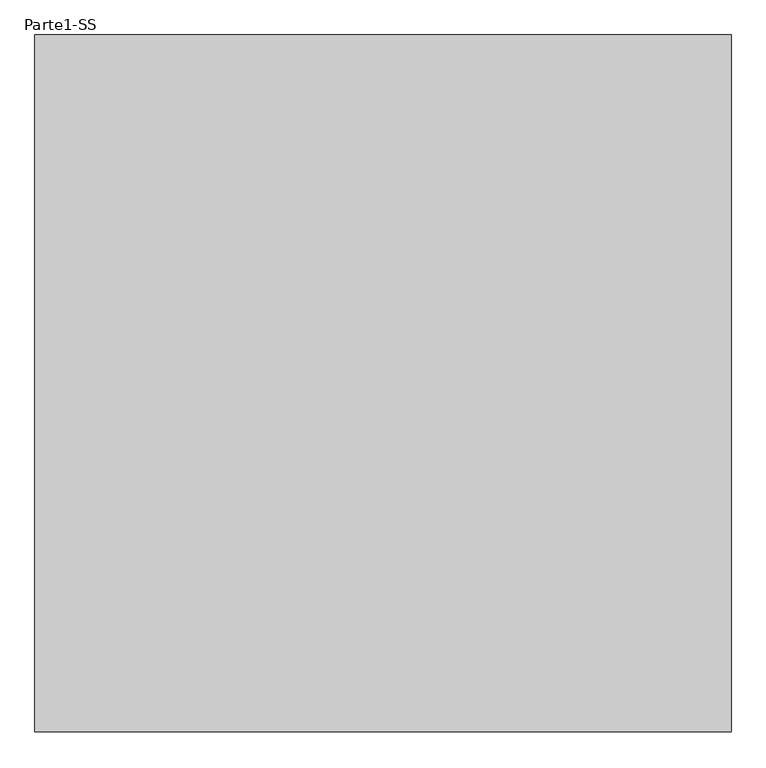
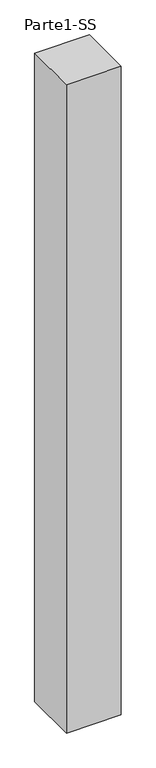
"""IFC4 building model written with IfcOpenShell, lengths in millimetres: proxy geometry, Parte1-SS."""

from ifc_helpers import new_model, si_unit, frame, origin, place, context, project, spatial, polyline, outline, extrude, source, transform, mapped, element, save


def parte1_ss_d8541341(model_context):
    return source(origin(), model_context, "Body", "SweptSolid", [
        extrude(outline(polyline([(2000.0, 2000.0), (2000.0, 0.0), (0.0, 0.0), (0.0, 2000.0), (2000.0, 2000.0)])), frame((0.0, 0.0, 5000.0), z_axis=(0.0, 0.0, 1.0), x_axis=(1.0, 0.0, 0.0)), (0.0, 0.0, 1.0), 25000.0),
    ])


if __name__ == "__main__":
    model = new_model("IFC4")
    model_context = context("Model", 3, world=origin())
    ifc_project = project(units=[si_unit("LENGTHUNIT", "METRE", prefix="MILLI")], contexts=[model_context])
    site = spatial("IfcSite", under=ifc_project)
    building = spatial("IfcBuilding", under=site)
    placement = place(None, origin())
    parte1_ss_shape = parte1_ss_d8541341(model_context)
    element("IfcBuildingElementProxy", 1, Name="Parte1-SS", ObjectType="Parte1-SS", at=placement, inside=building, context=model_context, shape_type="MappedRepresentation", body=[
        mapped(parte1_ss_shape, transform((0.0, 0.0, 0.0), x_axis=(1.0, 0.0, 0.0), y_axis=(0.0, 1.0, 0.0), z_axis=(0.0, 0.0, 1.0))),
    ])
    save(model, "model.ifc")
